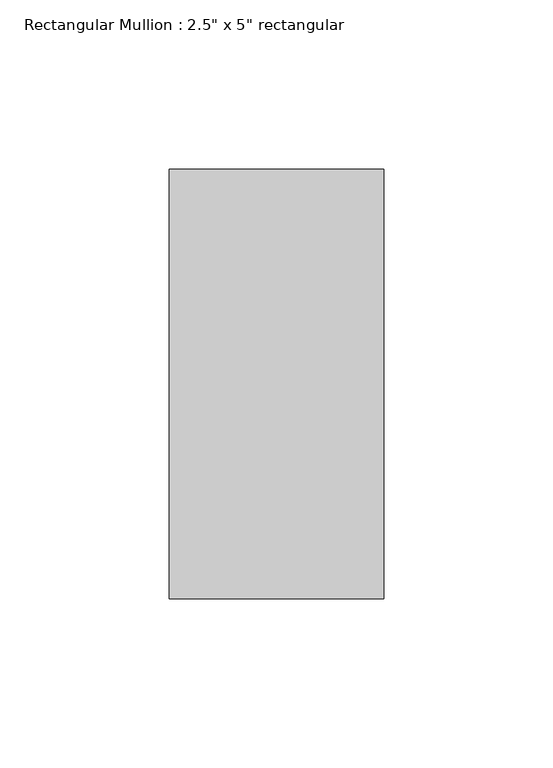
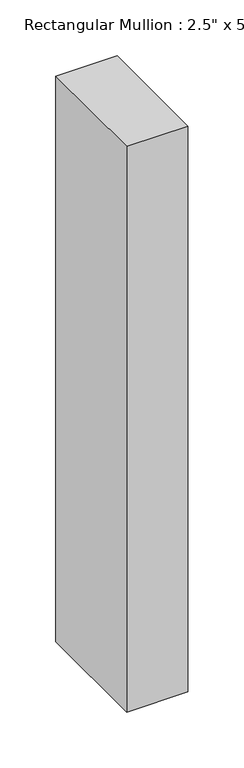
"""IFC4 building model written with IfcOpenShell, lengths in millimetres: member geometry."""

import ifcopenshell
import ifcopenshell.guid

model = None  # the IFC model being written
_history = None  # IfcOwnerHistory: only IFC2X3 demands one
_inside = {}  # id of a spatial element -> (the spatial element, [elements in it])
_under = {}  # id of a project, library or spatial element -> (it, [spatial elements below it])
_declared = {}  # id of a project -> (the project, [libraries it declares])
_typed = {}  # id of a type object -> (the type object, [elements of that type])
_made_of = {}  # id of a material, layer set ... -> (it, [elements and type objects made of it])


def new_model(schema):
    """Start an empty IFC model of exactly this schema.

    Asked for "IFC4X3", IfcOpenShell would pick the latest addendum, in which some entities
    have other attributes; the version numbers below select the first issue.
    IFC2X3 requires an IfcOwnerHistory on every rooted entity: one is made here for all.
    """
    global model, _history
    if schema == "IFC4X3":
        model = ifcopenshell.file(schema_version=(4, 3, 0, 0))
    else:
        model = ifcopenshell.file(schema=schema)
    _inside.clear()
    _under.clear()
    _declared.clear()
    _typed.clear()
    _made_of.clear()
    _history = None
    if model.schema == "IFC2X3":
        org = make("IfcOrganization", Name="unknown")
        user = make(
            "IfcPersonAndOrganization",
            ThePerson=make("IfcPerson", FamilyName="unknown"),
            TheOrganization=org,
        )
        app = make(
            "IfcApplication",
            ApplicationDeveloper=org,
            Version="unknown",
            ApplicationFullName="unknown",
            ApplicationIdentifier="unknown",
        )
        _history = make(
            "IfcOwnerHistory",
            OwningUser=user,
            OwningApplication=app,
            ChangeAction="ADDED",
            CreationDate=0,
        )
    return model


def make(cls, **values):
    """One entity of the class cls with the attributes given. An attribute that is None is left unset."""
    return model.create_entity(
        cls, **{name: value for name, value in values.items() if value is not None}
    )


def rooted(cls, **values):
    """An entity with a GlobalId (a new one), such as an element, a storey or a relation."""
    return make(cls, GlobalId=ifcopenshell.guid.new(), OwnerHistory=_history, **values)


def si_unit(unit_type, name, prefix=None):
    """IfcSIUnit, for example si_unit("LENGTHUNIT", "METRE", prefix="MILLI")."""
    return make("IfcSIUnit", UnitType=unit_type, Prefix=prefix, Name=name)


def assignment(units):
    """IfcUnitAssignment: the units of a project."""
    return None if units is None else make("IfcUnitAssignment", Units=units)


def point(xyz):
    """IfcCartesianPoint."""
    return None if xyz is None else make("IfcCartesianPoint", Coordinates=xyz)


def direction(xyz):
    """IfcDirection."""
    return None if xyz is None else make("IfcDirection", DirectionRatios=xyz)


def frame(location, z_axis=None, x_axis=None):
    """IfcAxis2Placement3D, a coordinate frame: its origin and axes. An axis left out is left unset."""
    return make(
        "IfcAxis2Placement3D",
        Location=point(location),
        Axis=direction(z_axis),
        RefDirection=direction(x_axis),
    )


def origin():
    """The frame at (0, 0, 0) with its axes left unset."""
    return frame((0.0, 0.0, 0.0))


def place(relative_to, where):
    """IfcLocalPlacement: puts the frame where relative to a parent placement (None: the world)."""
    return make(
        "IfcLocalPlacement", PlacementRelTo=relative_to, RelativePlacement=where
    )


def context(
    kind, dimensions, precision=None, world=None, true_north=None, identifier=None
):
    """IfcGeometricRepresentationContext, for example the 3D "Model" context."""
    return make(
        "IfcGeometricRepresentationContext",
        ContextIdentifier=identifier,
        ContextType=kind,
        CoordinateSpaceDimension=dimensions,
        Precision=precision,
        WorldCoordinateSystem=world,
        TrueNorth=true_north,
    )


def project(units=None, contexts=None):
    """IfcProject with its units and contexts."""
    return rooted(
        "IfcProject",
        Name="project",
        RepresentationContexts=contexts,
        UnitsInContext=assignment(units),
    )


def spatial(cls, under=None, at=None, **own):
    """A site, building, storey or space (cls), placed at a placement, below another one or the project."""
    s = rooted(cls, ObjectPlacement=at, **own)
    if under is not None:
        _under.setdefault(under.id(), (under, []))[1].append(s)
    return s


def polyline(points):
    """IfcPolyline through the points."""
    return make("IfcPolyline", Points=[point(p) for p in points])


def outline(outer, holes=None, kind="AREA"):
    """IfcArbitraryClosedProfileDef: a profile drawn as a closed curve; with holes, ...WithVoids."""
    if holes is None:
        return make("IfcArbitraryClosedProfileDef", ProfileType=kind, OuterCurve=outer)
    return make(
        "IfcArbitraryProfileDefWithVoids",
        ProfileType=kind,
        OuterCurve=outer,
        InnerCurves=holes,
    )


def extrude(swept, where, along, depth):
    """IfcExtrudedAreaSolid: the profile swept, set in the frame where, extruded along a direction by depth."""
    return make(
        "IfcExtrudedAreaSolid",
        SweptArea=swept,
        Position=where,
        ExtrudedDirection=direction(along),
        Depth=depth,
    )


def shape(context_of_items, identifier, shape_type, items):
    """IfcShapeRepresentation: the items that make up one representation, for example the "Body"."""
    return make(
        "IfcShapeRepresentation",
        ContextOfItems=context_of_items,
        RepresentationIdentifier=identifier,
        RepresentationType=shape_type,
        Items=items,
    )


def source(mapping_origin, context_of_items, identifier, shape_type, items):
    """IfcRepresentationMap: a shape defined once, which mapped items show again and again."""
    return make(
        "IfcRepresentationMap",
        MappingOrigin=mapping_origin,
        MappedRepresentation=shape(context_of_items, identifier, shape_type, items),
    )


def transform(
    local_origin,
    x_axis=None,
    y_axis=None,
    z_axis=None,
    scale=None,
    scale2=None,
    scale3=None,
    uniform=True,
):
    """IfcCartesianTransformationOperator3D, or its non-uniform kind. x_axis, y_axis, z_axis: its Axis1, 2, 3."""
    if uniform:
        return make(
            "IfcCartesianTransformationOperator3D",
            Axis1=direction(x_axis),
            Axis2=direction(y_axis),
            LocalOrigin=point(local_origin),
            Scale=scale,
            Axis3=direction(z_axis),
        )
    return make(
        "IfcCartesianTransformationOperator3DnonUniform",
        Axis1=direction(x_axis),
        Axis2=direction(y_axis),
        LocalOrigin=point(local_origin),
        Scale=scale,
        Axis3=direction(z_axis),
        Scale2=scale2,
        Scale3=scale3,
    )


def mapped(mapping_source, mapping_target):
    """IfcMappedItem: shows the shape of a source again, moved by a transform."""
    return make(
        "IfcMappedItem", MappingSource=mapping_source, MappingTarget=mapping_target
    )


def made_of(thing, what):
    """Note that an element or type object is made of a material, layer set ...; save() writes the relation."""
    if what is not None:
        _made_of.setdefault(what.id(), (what, []))[1].append(thing)
    return thing


def element(
    cls,
    number,
    at=None,
    inside=None,
    cuts=None,
    type_object=None,
    material=None,
    context=None,
    identifier="Body",
    shape_type=None,
    held_by="IfcProductDefinitionShape",
    body=None,
    shapes=None,
    **own,
):
    """One element of the class cls, such as IfcWall. Its Tag is "e" and its number.

    at: its placement. inside: the storey or other place that contains it. cuts: it is an
    opening in that element (IfcRelVoidsElement). A single representation is given by context,
    identifier, shape_type and body (its items); several are given by shapes. held_by: the class
    of the entity that holds the representations. save() writes the other relations.
    """
    e = rooted(cls, Tag="e%d" % number, ObjectPlacement=at, **own)
    if body is not None:
        shapes = [shape(context, identifier, shape_type, body)]
    if shapes is not None:
        e.Representation = make(held_by, Representations=shapes)
    if inside is not None:
        _inside.setdefault(inside.id(), (inside, []))[1].append(e)
    if cuts is not None:
        rooted(
            "IfcRelVoidsElement", RelatingBuildingElement=cuts, RelatedOpeningElement=e
        )
    if type_object is not None:
        _typed.setdefault(type_object.id(), (type_object, []))[1].append(e)
    return made_of(e, material)


def aggregate(whole, parts):
    """IfcRelAggregates: a whole, such as a stair, and the parts it consists of."""
    return rooted("IfcRelAggregates", RelatingObject=whole, RelatedObjects=parts)


def save(model, path):
    """Write the relations noted so far, then the file.

    IfcRelAggregates (storeys below a building ...), IfcRelContainedInSpatialStructure (elements
    in a storey), IfcRelDefinesByType, IfcRelAssociatesMaterial and IfcRelDeclares: one each for
    every whole, place, type object, material and project.
    """
    for whole, parts in _under.values():
        aggregate(whole, parts)
    for where, things in _inside.values():
        rooted(
            "IfcRelContainedInSpatialStructure",
            RelatedElements=things,
            RelatingStructure=where,
        )
    for kind, things in _typed.values():
        rooted("IfcRelDefinesByType", RelatedObjects=things, RelatingType=kind)
    for what, things in _made_of.values():
        rooted("IfcRelAssociatesMaterial", RelatedObjects=things, RelatingMaterial=what)
    for by, libraries in _declared.values():
        rooted("IfcRelDeclares", RelatingContext=by, RelatedDefinitions=libraries)
    model.write(path)


def member_d8a11517(model_context):
    return source(origin(), model_context, "Body", "SweptSolid", [
        extrude(outline(polyline([(0.0, 63.5), (0.0, -63.5), (-63.5, -63.5), (-63.5, 63.5), (0.0, 63.5)])), frame((0.0, 0.0, -619.76), z_axis=(0.0, 0.0, 1.0), x_axis=(1.0, 0.0, 0.0)), (0.0, 0.0, 1.0), 619.76),
    ])


if __name__ == "__main__":
    model = new_model("IFC4")
    model_context = context("Model", 3, world=origin())
    ifc_project = project(units=[si_unit("LENGTHUNIT", "METRE", prefix="MILLI")], contexts=[model_context])
    site = spatial("IfcSite", under=ifc_project)
    building = spatial("IfcBuilding", under=site)
    placement = place(None, origin())
    member_shape = member_d8a11517(model_context)
    element("IfcMember", 1, ObjectType="Rectangular Mullion : 2.5\" x 5\" rectangular", at=placement, inside=building, context=model_context, shape_type="MappedRepresentation", body=[
        mapped(member_shape, transform((0.0, 0.0, 0.0), x_axis=(1.0, 0.0, 0.0), y_axis=(0.0, 1.0, 0.0), z_axis=(0.0, 0.0, 1.0))),
    ])
    save(model, "model.ifc")
